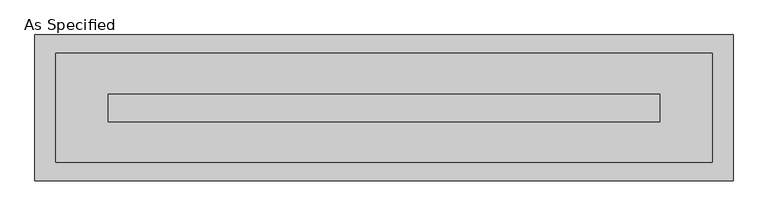
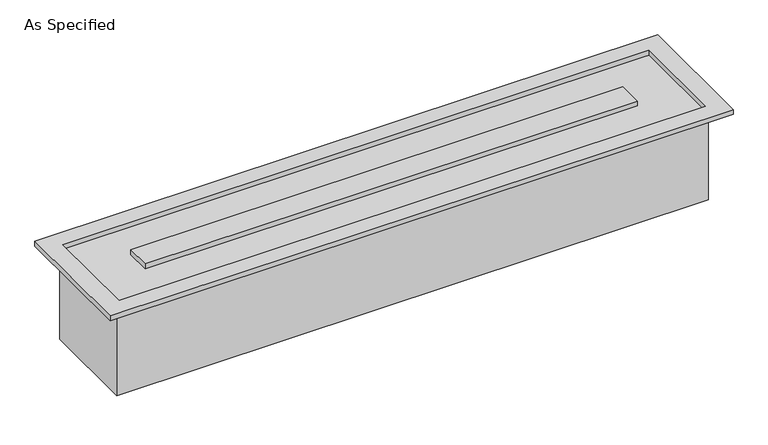
"""IFC4 building model written with IfcOpenShell, lengths in millimetres: proxy geometry, As Specified."""

from ifc_helpers import new_model, si_unit, origin, place, context, project, spatial, faceted_brep, source, transform, mapped, element, save


def as_specified_3b14c1b4(model_context):
    return source(origin(), model_context, "Body", "Brep", [
        faceted_brep([(915.9875, 152.4, -292.1), (915.9875, -152.4, -292.1), (-915.9875, -152.4, -292.1), (-915.9875, 152.4, -292.1), (908.0499926, -150.812509, 0.0), (908.0499926, 150.8125043, 0.0), (-908.0499937, 150.8125043, 0.0), (-908.0499937, -150.812509, 0.0), (-762.0000025, 38.0999981, 0.0), (762.0000013, 38.0999981, 0.0), (762.0000013, -38.1000028, 0.0), (-762.0000025, -38.1000028, 0.0), (-915.9875, 152.4, 0.0), (915.9875, 152.4, 0.0), (-915.9875, -152.4, 0.0), (915.9875, -152.4, 0.0), (965.2, 201.6125, 15.875), (-965.2, 201.6125, 15.875), (-965.2, -201.6125, 15.875), (965.2, -201.6125, 15.875), (908.0499926, 150.8125043, 15.875), (908.0499926, -150.812509, 15.875), (-908.0499937, -150.812509, 15.875), (-908.0499937, 150.8125043, 15.875), (762.0000013, 38.0999981, 15.875), (-762.0000025, 38.0999981, 15.875), (-762.0000025, -38.1000028, 15.875), (762.0000013, -38.1000028, 15.875), (965.2, 201.6125, 0.0), (965.2, -201.6125, 0.0), (-965.2, -201.6125, 0.0), (-965.2, 201.6125, 0.0)], [[[0, 1, 2, 3]], [[4, 5, 6, 7], [8, 9, 10, 11]], [[0, 3, 12, 13]], [[3, 2, 14, 12]], [[2, 1, 15, 14]], [[1, 0, 13, 15]], [[16, 17, 18, 19], [20, 21, 22, 23]], [[24, 25, 26, 27]], [[28, 29, 30, 31], [13, 12, 14, 15]], [[17, 16, 28, 31]], [[18, 17, 31, 30]], [[19, 18, 30, 29]], [[16, 19, 29, 28]], [[21, 20, 5, 4]], [[22, 21, 4, 7]], [[23, 22, 7, 6]], [[20, 23, 6, 5]], [[25, 24, 9, 8]], [[26, 25, 8, 11]], [[27, 26, 11, 10]], [[24, 27, 10, 9]]]),
    ])


if __name__ == "__main__":
    model = new_model("IFC4")
    model_context = context("Model", 3, world=origin())
    ifc_project = project(units=[si_unit("LENGTHUNIT", "METRE", prefix="MILLI")], contexts=[model_context])
    site = spatial("IfcSite", under=ifc_project)
    building = spatial("IfcBuilding", under=site)
    placement = place(None, origin())
    as_specified_shape = as_specified_3b14c1b4(model_context)
    element("IfcBuildingElementProxy", 1, Name="As Specified", ObjectType="As Specified", at=placement, inside=building, context=model_context, shape_type="MappedRepresentation", body=[
        mapped(as_specified_shape, transform((0.0, 0.0, 0.0), x_axis=(1.0, 0.0, 0.0), y_axis=(0.0, 1.0, 0.0), z_axis=(0.0, 0.0, 1.0))),
    ])
    save(model, "model.ifc")
